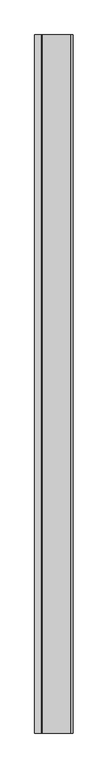
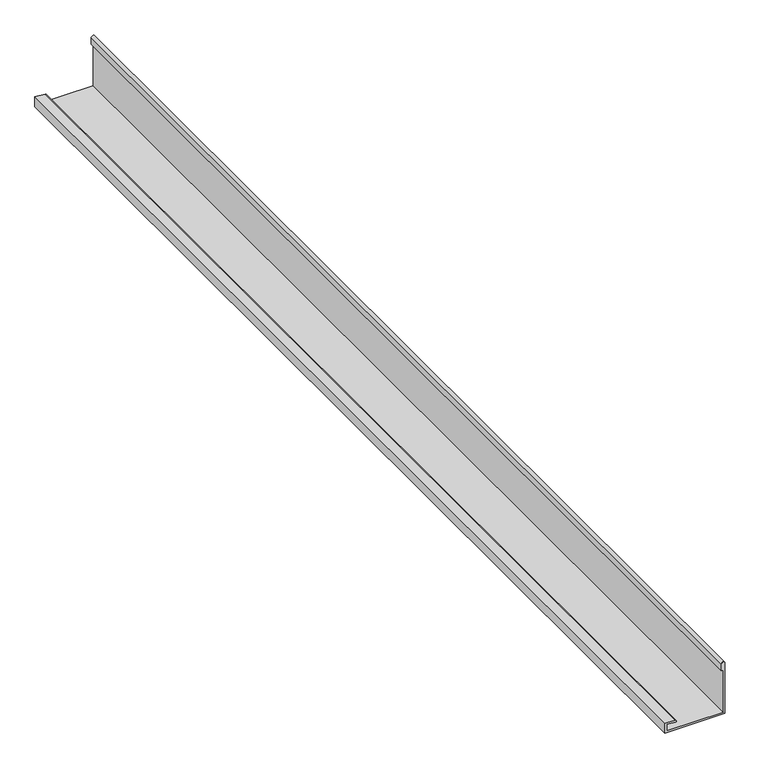
"""IFC4 building model written with IfcOpenShell, lengths in millimetres: proxy geometry."""

import ifcopenshell
import ifcopenshell.guid

model = None  # the IFC model being written
_history = None  # IfcOwnerHistory: only IFC2X3 demands one
_inside = {}  # id of a spatial element -> (the spatial element, [elements in it])
_under = {}  # id of a project, library or spatial element -> (it, [spatial elements below it])
_declared = {}  # id of a project -> (the project, [libraries it declares])
_typed = {}  # id of a type object -> (the type object, [elements of that type])
_made_of = {}  # id of a material, layer set ... -> (it, [elements and type objects made of it])


def new_model(schema):
    """Start an empty IFC model of exactly this schema.

    Asked for "IFC4X3", IfcOpenShell would pick the latest addendum, in which some entities
    have other attributes; the version numbers below select the first issue.
    IFC2X3 requires an IfcOwnerHistory on every rooted entity: one is made here for all.
    """
    global model, _history
    if schema == "IFC4X3":
        model = ifcopenshell.file(schema_version=(4, 3, 0, 0))
    else:
        model = ifcopenshell.file(schema=schema)
    _inside.clear()
    _under.clear()
    _declared.clear()
    _typed.clear()
    _made_of.clear()
    _history = None
    if model.schema == "IFC2X3":
        org = make("IfcOrganization", Name="unknown")
        user = make(
            "IfcPersonAndOrganization",
            ThePerson=make("IfcPerson", FamilyName="unknown"),
            TheOrganization=org,
        )
        app = make(
            "IfcApplication",
            ApplicationDeveloper=org,
            Version="unknown",
            ApplicationFullName="unknown",
            ApplicationIdentifier="unknown",
        )
        _history = make(
            "IfcOwnerHistory",
            OwningUser=user,
            OwningApplication=app,
            ChangeAction="ADDED",
            CreationDate=0,
        )
    return model


def make(cls, **values):
    """One entity of the class cls with the attributes given. An attribute that is None is left unset."""
    return model.create_entity(
        cls, **{name: value for name, value in values.items() if value is not None}
    )


def rooted(cls, **values):
    """An entity with a GlobalId (a new one), such as an element, a storey or a relation."""
    return make(cls, GlobalId=ifcopenshell.guid.new(), OwnerHistory=_history, **values)


def si_unit(unit_type, name, prefix=None):
    """IfcSIUnit, for example si_unit("LENGTHUNIT", "METRE", prefix="MILLI")."""
    return make("IfcSIUnit", UnitType=unit_type, Prefix=prefix, Name=name)


def assignment(units):
    """IfcUnitAssignment: the units of a project."""
    return None if units is None else make("IfcUnitAssignment", Units=units)


def point(xyz):
    """IfcCartesianPoint."""
    return None if xyz is None else make("IfcCartesianPoint", Coordinates=xyz)


def direction(xyz):
    """IfcDirection."""
    return None if xyz is None else make("IfcDirection", DirectionRatios=xyz)


def frame(location, z_axis=None, x_axis=None):
    """IfcAxis2Placement3D, a coordinate frame: its origin and axes. An axis left out is left unset."""
    return make(
        "IfcAxis2Placement3D",
        Location=point(location),
        Axis=direction(z_axis),
        RefDirection=direction(x_axis),
    )


def frame_2d(location, x_axis=None):
    """IfcAxis2Placement2D, a coordinate frame in the plane: its origin and x axis."""
    return make(
        "IfcAxis2Placement2D", Location=point(location), RefDirection=direction(x_axis)
    )


def origin():
    """The frame at (0, 0, 0) with its axes left unset."""
    return frame((0.0, 0.0, 0.0))


def place(relative_to, where):
    """IfcLocalPlacement: puts the frame where relative to a parent placement (None: the world)."""
    return make(
        "IfcLocalPlacement", PlacementRelTo=relative_to, RelativePlacement=where
    )


def context(
    kind, dimensions, precision=None, world=None, true_north=None, identifier=None
):
    """IfcGeometricRepresentationContext, for example the 3D "Model" context."""
    return make(
        "IfcGeometricRepresentationContext",
        ContextIdentifier=identifier,
        ContextType=kind,
        CoordinateSpaceDimension=dimensions,
        Precision=precision,
        WorldCoordinateSystem=world,
        TrueNorth=true_north,
    )


def project(units=None, contexts=None):
    """IfcProject with its units and contexts."""
    return rooted(
        "IfcProject",
        Name="project",
        RepresentationContexts=contexts,
        UnitsInContext=assignment(units),
    )


def spatial(cls, under=None, at=None, **own):
    """A site, building, storey or space (cls), placed at a placement, below another one or the project."""
    s = rooted(cls, ObjectPlacement=at, **own)
    if under is not None:
        _under.setdefault(under.id(), (under, []))[1].append(s)
    return s


def polyline(points):
    """IfcPolyline through the points."""
    return make("IfcPolyline", Points=[point(p) for p in points])


def circle_curve(where, radius):
    """IfcCircle in the frame where."""
    return make("IfcCircle", Position=where, Radius=radius)


def trimmed(basis, trim1, trim2, sense, master):
    """IfcTrimmedCurve: the piece of a basis curve between two trims."""
    return make(
        "IfcTrimmedCurve",
        BasisCurve=basis,
        Trim1=trim1,
        Trim2=trim2,
        SenseAgreement=sense,
        MasterRepresentation=master,
    )


def segment(curve, same_sense, transition):
    """IfcCompositeCurveSegment."""
    return make(
        "IfcCompositeCurveSegment",
        Transition=transition,
        SameSense=same_sense,
        ParentCurve=curve,
    )


def composite_curve(segments, self_intersect=None):
    """IfcCompositeCurve: segments joined end to end."""
    return make("IfcCompositeCurve", Segments=segments, SelfIntersect=self_intersect)


def outline(outer, holes=None, kind="AREA"):
    """IfcArbitraryClosedProfileDef: a profile drawn as a closed curve; with holes, ...WithVoids."""
    if holes is None:
        return make("IfcArbitraryClosedProfileDef", ProfileType=kind, OuterCurve=outer)
    return make(
        "IfcArbitraryProfileDefWithVoids",
        ProfileType=kind,
        OuterCurve=outer,
        InnerCurves=holes,
    )


def extrude(swept, where, along, depth):
    """IfcExtrudedAreaSolid: the profile swept, set in the frame where, extruded along a direction by depth."""
    return make(
        "IfcExtrudedAreaSolid",
        SweptArea=swept,
        Position=where,
        ExtrudedDirection=direction(along),
        Depth=depth,
    )


def shape(context_of_items, identifier, shape_type, items):
    """IfcShapeRepresentation: the items that make up one representation, for example the "Body"."""
    return make(
        "IfcShapeRepresentation",
        ContextOfItems=context_of_items,
        RepresentationIdentifier=identifier,
        RepresentationType=shape_type,
        Items=items,
    )


def source(mapping_origin, context_of_items, identifier, shape_type, items):
    """IfcRepresentationMap: a shape defined once, which mapped items show again and again."""
    return make(
        "IfcRepresentationMap",
        MappingOrigin=mapping_origin,
        MappedRepresentation=shape(context_of_items, identifier, shape_type, items),
    )


def transform(
    local_origin,
    x_axis=None,
    y_axis=None,
    z_axis=None,
    scale=None,
    scale2=None,
    scale3=None,
    uniform=True,
):
    """IfcCartesianTransformationOperator3D, or its non-uniform kind. x_axis, y_axis, z_axis: its Axis1, 2, 3."""
    if uniform:
        return make(
            "IfcCartesianTransformationOperator3D",
            Axis1=direction(x_axis),
            Axis2=direction(y_axis),
            LocalOrigin=point(local_origin),
            Scale=scale,
            Axis3=direction(z_axis),
        )
    return make(
        "IfcCartesianTransformationOperator3DnonUniform",
        Axis1=direction(x_axis),
        Axis2=direction(y_axis),
        LocalOrigin=point(local_origin),
        Scale=scale,
        Axis3=direction(z_axis),
        Scale2=scale2,
        Scale3=scale3,
    )


def mapped(mapping_source, mapping_target):
    """IfcMappedItem: shows the shape of a source again, moved by a transform."""
    return make(
        "IfcMappedItem", MappingSource=mapping_source, MappingTarget=mapping_target
    )


def made_of(thing, what):
    """Note that an element or type object is made of a material, layer set ...; save() writes the relation."""
    if what is not None:
        _made_of.setdefault(what.id(), (what, []))[1].append(thing)
    return thing


def element(
    cls,
    number,
    at=None,
    inside=None,
    cuts=None,
    type_object=None,
    material=None,
    context=None,
    identifier="Body",
    shape_type=None,
    held_by="IfcProductDefinitionShape",
    body=None,
    shapes=None,
    **own,
):
    """One element of the class cls, such as IfcWall. Its Tag is "e" and its number.

    at: its placement. inside: the storey or other place that contains it. cuts: it is an
    opening in that element (IfcRelVoidsElement). A single representation is given by context,
    identifier, shape_type and body (its items); several are given by shapes. held_by: the class
    of the entity that holds the representations. save() writes the other relations.
    """
    e = rooted(cls, Tag="e%d" % number, ObjectPlacement=at, **own)
    if body is not None:
        shapes = [shape(context, identifier, shape_type, body)]
    if shapes is not None:
        e.Representation = make(held_by, Representations=shapes)
    if inside is not None:
        _inside.setdefault(inside.id(), (inside, []))[1].append(e)
    if cuts is not None:
        rooted(
            "IfcRelVoidsElement", RelatingBuildingElement=cuts, RelatedOpeningElement=e
        )
    if type_object is not None:
        _typed.setdefault(type_object.id(), (type_object, []))[1].append(e)
    return made_of(e, material)


def aggregate(whole, parts):
    """IfcRelAggregates: a whole, such as a stair, and the parts it consists of."""
    return rooted("IfcRelAggregates", RelatingObject=whole, RelatedObjects=parts)


def save(model, path):
    """Write the relations noted so far, then the file.

    IfcRelAggregates (storeys below a building ...), IfcRelContainedInSpatialStructure (elements
    in a storey), IfcRelDefinesByType, IfcRelAssociatesMaterial and IfcRelDeclares: one each for
    every whole, place, type object, material and project.
    """
    for whole, parts in _under.values():
        aggregate(whole, parts)
    for where, things in _inside.values():
        rooted(
            "IfcRelContainedInSpatialStructure",
            RelatedElements=things,
            RelatingStructure=where,
        )
    for kind, things in _typed.values():
        rooted("IfcRelDefinesByType", RelatedObjects=things, RelatingType=kind)
    for what, things in _made_of.values():
        rooted("IfcRelAssociatesMaterial", RelatedObjects=things, RelatingMaterial=what)
    for by, libraries in _declared.values():
        rooted("IfcRelDeclares", RelatingContext=by, RelatedDefinitions=libraries)
    model.write(path)


def generic_models_f143911c(model_context):
    return source(origin(), model_context, "Body", "SweptSolid", [
        extrude(outline(composite_curve([segment(polyline([(3799.2452806, -11760.4039486), (3799.2452806, -11590.4039486), (3949.6655464, -11590.4039486)]), True, "CONTINUOUS"), segment(trimmed(circle_curve(frame_2d((3949.6655464, -11595.4039486)), 5.0), [point((3949.6655464, -11590.4039486))], [point((3949.6655464, -11600.4039486))], False, "CARTESIAN"), True, "CONTINUOUS"), segment(polyline([(3949.6655464, -11600.4039486), (3929.6655464, -11600.4039486), (3929.6655464, -11595.4039486), (3804.2452806, -11595.4039486), (3804.2452806, -11755.4039486), (3823.7887381, -11755.4039486), (3821.6496348, -11730.9538864)]), True, "CONTINUOUS"), segment(trimmed(circle_curve(frame_2d((3824.1401216, -11730.735997)), 2.5), [point((3821.6496348, -11730.9538864))], [point((3826.6306083, -11730.5181076))], False, "CARTESIAN"), True, "CONTINUOUS"), segment(polyline([(3826.6306083, -11730.5181076), (3829.2452806, -11760.4039486), (3799.2452806, -11760.4039486)]), True, "CONTINUOUS")], self_intersect=False)), frame((0.0, -1334.6714866, 0.0), z_axis=(0.0, 1.0, 0.0), x_axis=(0.0, 0.0, 1.0)), (0.0, 0.0, 1.0), 3090.0),
    ])


if __name__ == "__main__":
    model = new_model("IFC4")
    model_context = context("Model", 3, world=origin())
    ifc_project = project(units=[si_unit("LENGTHUNIT", "METRE", prefix="MILLI")], contexts=[model_context])
    site = spatial("IfcSite", under=ifc_project)
    building = spatial("IfcBuilding", under=site)
    placement = place(None, origin())
    generic_models_shape = generic_models_f143911c(model_context)
    element("IfcBuildingElementProxy", 1, Name="Generic Models", at=placement, inside=building, context=model_context, shape_type="MappedRepresentation", body=[
        mapped(generic_models_shape, transform((0.0, 0.0, 0.0), x_axis=(1.0, 0.0, 0.0), y_axis=(0.0, 1.0, 0.0), z_axis=(0.0, 0.0, 1.0))),
    ])
    save(model, "model.ifc")
